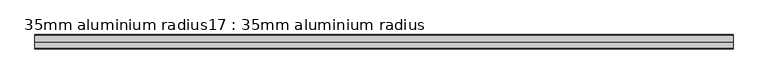
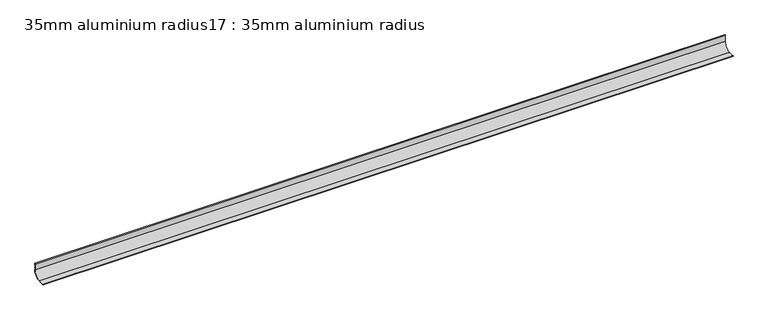
"""IFC4 building model written with IfcOpenShell, lengths in millimetres: proxy geometry, 35mm aluminium radius17 : 35mm aluminium radius."""

from ifc_helpers import new_model, si_unit, point, frame, frame_2d, origin, place, context, project, spatial, polyline, circle_curve, trimmed, segment, composite_curve, outline, extrude, source, transform, mapped, element, save


def proxy_35mm_aluminium_radius17_35mm_aluminium_radius_c3bb4fe3(model_context):
    return source(origin(), model_context, "Body", "SweptSolid", [
        extrude(outline(composite_curve([segment(trimmed(circle_curve(frame_2d((-16281.3329906, 287.7246863)), 3.9), [point((-16281.9535388, 291.5750006))], [point((-16284.7614597, 289.5836105))], True, "CARTESIAN"), True, "CONTINUOUS"), segment(trimmed(circle_curve(frame_2d((-16307.6285388, 300.675)), 25.415), [point((-16284.7614597, 289.5836105))], [point((-16296.5371493, 277.807921))], False, "CARTESIAN"), True, "CONTINUOUS"), segment(trimmed(circle_curve(frame_2d((-16294.6782251, 274.3794518)), 3.9), [point((-16296.5371493, 277.807921))], [point((-16298.5285394, 275.0))], True, "CARTESIAN"), True, "CONTINUOUS"), segment(polyline([(-16298.5285394, 275.0), (-16309.7410388, 275.0), (-16310.5960388, 275.855), (-16314.7360388, 275.855), (-16315.5910388, 275.0), (-16318.0285388, 275.0), (-16318.8835388, 275.855), (-16323.0235388, 275.855), (-16323.8785388, 275.0), (-16330.7035388, 275.0)]), True, "CONTINUOUS"), segment(trimmed(circle_curve(frame_2d((-16329.4035388, 275.0)), 1.3), [point((-16330.7035388, 275.0))], [point((-16329.4035388, 276.3))], False, "CARTESIAN"), True, "CONTINUOUS"), segment(polyline([(-16329.4035388, 276.3), (-16307.6285388, 276.3)]), True, "CONTINUOUS"), segment(trimmed(circle_curve(frame_2d((-16307.6285388, 300.675)), 24.375), [point((-16307.6285388, 276.3))], [point((-16283.2535388, 300.675))], True, "CARTESIAN"), True, "CONTINUOUS"), segment(polyline([(-16283.2535388, 300.675), (-16283.2535388, 322.45)]), True, "CONTINUOUS"), segment(trimmed(circle_curve(frame_2d((-16281.9535388, 322.45)), 1.3), [point((-16283.2535388, 322.45))], [point((-16281.9535388, 323.75))], False, "CARTESIAN"), True, "CONTINUOUS"), segment(polyline([(-16281.9535388, 323.75), (-16281.9535388, 316.925), (-16282.8085388, 316.07), (-16282.8085388, 311.93), (-16281.9535388, 311.075), (-16281.9535388, 308.6375), (-16282.8085388, 307.7825), (-16282.8085388, 303.6425), (-16281.9535388, 302.7875), (-16281.9535388, 291.5750006)]), True, "CONTINUOUS")], self_intersect=False)), frame((4244.6309284, 0.0, 0.0), z_axis=(1.0, 0.0, 0.0), x_axis=(0.0, 1.0, 0.0)), (0.0, 0.0, 1.0), 2400.0),
    ])


if __name__ == "__main__":
    model = new_model("IFC4")
    model_context = context("Model", 3, world=origin())
    ifc_project = project(units=[si_unit("LENGTHUNIT", "METRE", prefix="MILLI")], contexts=[model_context])
    site = spatial("IfcSite", under=ifc_project)
    building = spatial("IfcBuilding", under=site)
    placement = place(None, origin())
    proxy_35mm_aluminium_radius17_35mm_aluminium_radius_shape = proxy_35mm_aluminium_radius17_35mm_aluminium_radius_c3bb4fe3(model_context)
    element("IfcBuildingElementProxy", 1, Name="35mm aluminium radius17 : 35mm aluminium radius", ObjectType="35mm aluminium radius17 : 35mm aluminium radius", at=placement, inside=building, context=model_context, shape_type="MappedRepresentation", body=[
        mapped(proxy_35mm_aluminium_radius17_35mm_aluminium_radius_shape, transform((0.0, 0.0, 0.0), x_axis=(1.0, 0.0, 0.0), y_axis=(0.0, 1.0, 0.0), z_axis=(0.0, 0.0, 1.0))),
    ])
    save(model, "model.ifc")
